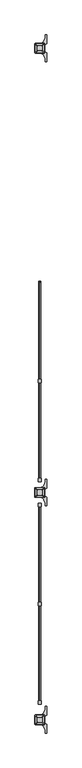
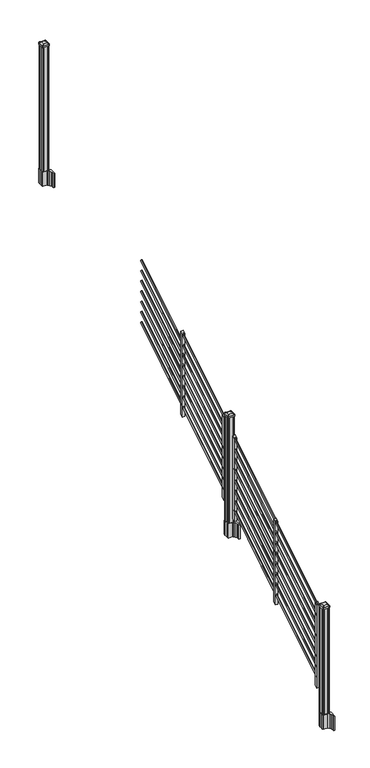
"""IFC4 building model written with IfcOpenShell, lengths in millimetres: railing geometry."""

from ifc_helpers import new_model, si_unit, point, frame, frame_2d, origin, origin_2d, place, context, project, spatial, polyline, circle_curve, trimmed, segment, composite_curve, outline, extrude, source, transform, mapped, element, save
from ifc_brep_helpers import plane_surface, extruded_surface, advanced_brep


def railing_97088774(model_context):
    return source(origin(), model_context, "Body", "SolidModel", [
        extrude(outline(composite_curve([segment(trimmed(circle_curve(origin_2d(), 8.001), [point((0.0, -8.001))], [point((0.0, 8.001))], False, "CARTESIAN"), True, "CONTINUOUS"), segment(trimmed(circle_curve(origin_2d(), 8.001), [point((0.0, 8.001))], [point((0.0, -8.001))], False, "CARTESIAN"), True, "CONTINUOUS")], self_intersect=False)), frame((8683.9759347, -140274.2068453, 1983.9796159), z_axis=(0.0, 0.8479983040051254, 0.5299989400031201), x_axis=(-1.0, 0.0, 0.0)), (0.0, 0.0, 1.0), 868.6338127),
        extrude(outline(composite_curve([segment(trimmed(circle_curve(origin_2d(), 8.001), [point((0.0, -8.001))], [point((0.0, 8.001))], False, "CARTESIAN"), True, "CONTINUOUS"), segment(trimmed(circle_curve(origin_2d(), 8.001), [point((0.0, 8.001))], [point((0.0, -8.001))], False, "CARTESIAN"), True, "CONTINUOUS")], self_intersect=False)), frame((8683.9759347, -140274.2068453, 2095.1695274), z_axis=(0.0, 0.8479983040051253, 0.5299989400031203), x_axis=(-1.0, 0.0, 0.0)), (0.0, 0.0, 1.0), 868.6338127),
        extrude(outline(composite_curve([segment(trimmed(circle_curve(origin_2d(), 8.001), [point((0.0, -8.001))], [point((0.0, 8.001))], False, "CARTESIAN"), True, "CONTINUOUS"), segment(trimmed(circle_curve(origin_2d(), 8.001), [point((0.0, 8.001))], [point((0.0, -8.001))], False, "CARTESIAN"), True, "CONTINUOUS")], self_intersect=False)), frame((8683.9759347, -140274.2068453, 2206.359439), z_axis=(0.0, 0.8479983040051253, 0.5299989400031203), x_axis=(-1.0, 0.0, 0.0)), (0.0, 0.0, 1.0), 868.6338127),
        extrude(outline(composite_curve([segment(trimmed(circle_curve(origin_2d(), 8.001), [point((0.0, -8.001))], [point((0.0, 8.001))], False, "CARTESIAN"), True, "CONTINUOUS"), segment(trimmed(circle_curve(origin_2d(), 8.001), [point((0.0, 8.001))], [point((0.0, -8.001))], False, "CARTESIAN"), True, "CONTINUOUS")], self_intersect=False)), frame((8683.9759347, -140274.2068453, 2317.5493506), z_axis=(0.0, 0.8479983040051253, 0.5299989400031203), x_axis=(-1.0, 0.0, 0.0)), (0.0, 0.0, 1.0), 868.6338127),
        extrude(outline(composite_curve([segment(trimmed(circle_curve(origin_2d(), 8.001), [point((0.0, -8.001))], [point((0.0, 8.001))], False, "CARTESIAN"), True, "CONTINUOUS"), segment(trimmed(circle_curve(origin_2d(), 8.001), [point((0.0, 8.001))], [point((0.0, -8.001))], False, "CARTESIAN"), True, "CONTINUOUS")], self_intersect=False)), frame((8683.9759347, -140274.2068453, 2428.7392622), z_axis=(0.0, 0.8479983040051254, 0.5299989400031202), x_axis=(-1.0, 0.0, 0.0)), (0.0, 0.0, 1.0), 868.6338127),
        extrude(outline(composite_curve([segment(trimmed(circle_curve(origin_2d(), 8.001), [point((0.0, -8.001))], [point((0.0, 8.001))], False, "CARTESIAN"), True, "CONTINUOUS"), segment(trimmed(circle_curve(origin_2d(), 8.001), [point((0.0, 8.001))], [point((0.0, -8.001))], False, "CARTESIAN"), True, "CONTINUOUS")], self_intersect=False)), frame((8683.9759347, -140274.2068453, 2539.9291737), z_axis=(0.0, 0.8479983040051253, 0.5299989400031202), x_axis=(-1.0, 0.0, 0.0)), (0.0, 0.0, 1.0), 868.6338127),
        extrude(outline(composite_curve([segment(trimmed(circle_curve(origin_2d(), 8.001), [point((0.0, -8.001))], [point((0.0, 8.001))], False, "CARTESIAN"), True, "CONTINUOUS"), segment(trimmed(circle_curve(origin_2d(), 8.001), [point((0.0, 8.001))], [point((0.0, -8.001))], False, "CARTESIAN"), True, "CONTINUOUS")], self_intersect=False)), frame((8683.9759347, -140274.2068453, 2651.1190853), z_axis=(0.0, 0.8479983040051253, 0.5299989400031203), x_axis=(-1.0, 0.0, 0.0)), (0.0, 0.0, 1.0), 868.6338127),
        extrude(outline(polyline([(-140256.4268453, 1894.0103781), (-140281.8268453, 1878.1353781), (-140281.8268453, 2771.4575), (-140256.4268453, 2787.3325), (-140256.4268453, 1894.0103781)])), frame((8670.9657728, 0.0, 0.0), z_axis=(1.0, 0.0, 0.0), x_axis=(0.0, 1.0, 0.0)), (0.0, 0.0, 1.0), 25.4),
        extrude(outline(composite_curve([segment(trimmed(circle_curve(origin_2d(), 8.001), [point((0.0, -8.001))], [point((0.0, 8.001))], False, "CARTESIAN"), True, "CONTINUOUS"), segment(trimmed(circle_curve(origin_2d(), 8.001), [point((0.0, 8.001))], [point((0.0, -8.001))], False, "CARTESIAN"), True, "CONTINUOUS")], self_intersect=False)), frame((8683.9759347, -141000.6468453, 2308.2839969), z_axis=(0.0, 0.8479983040051253, 0.5299989400031202), x_axis=(-1.0, 0.0, 0.0)), (0.0, 0.0, 1.0), 868.6338127),
        extrude(outline(composite_curve([segment(trimmed(circle_curve(origin_2d(), 8.001), [point((0.0, -8.001))], [point((0.0, 8.001))], False, "CARTESIAN"), True, "CONTINUOUS"), segment(trimmed(circle_curve(origin_2d(), 8.001), [point((0.0, 8.001))], [point((0.0, -8.001))], False, "CARTESIAN"), True, "CONTINUOUS")], self_intersect=False)), frame((8683.9759347, -141000.6468453, 1529.9546159), z_axis=(0.0, 0.8479983040051254, 0.5299989400031201), x_axis=(-1.0, 0.0, 0.0)), (0.0, 0.0, 1.0), 868.6338127),
        extrude(outline(composite_curve([segment(trimmed(circle_curve(origin_2d(), 8.001), [point((0.0, -8.001))], [point((0.0, 8.001))], False, "CARTESIAN"), True, "CONTINUOUS"), segment(trimmed(circle_curve(origin_2d(), 8.001), [point((0.0, 8.001))], [point((0.0, -8.001))], False, "CARTESIAN"), True, "CONTINUOUS")], self_intersect=False)), frame((8683.9759347, -141000.6468453, 1641.1445274), z_axis=(0.0, 0.8479983040051253, 0.5299989400031203), x_axis=(-1.0, 0.0, 0.0)), (0.0, 0.0, 1.0), 868.6338127),
        extrude(outline(composite_curve([segment(trimmed(circle_curve(origin_2d(), 8.001), [point((0.0, -8.001))], [point((0.0, 8.001))], False, "CARTESIAN"), True, "CONTINUOUS"), segment(trimmed(circle_curve(origin_2d(), 8.001), [point((0.0, 8.001))], [point((0.0, -8.001))], False, "CARTESIAN"), True, "CONTINUOUS")], self_intersect=False)), frame((8683.9759347, -141000.6468453, 1752.334439), z_axis=(0.0, 0.8479983040051253, 0.5299989400031203), x_axis=(-1.0, 0.0, 0.0)), (0.0, 0.0, 1.0), 868.6338127),
        extrude(outline(composite_curve([segment(trimmed(circle_curve(origin_2d(), 8.001), [point((0.0, -8.001))], [point((0.0, 8.001))], False, "CARTESIAN"), True, "CONTINUOUS"), segment(trimmed(circle_curve(origin_2d(), 8.001), [point((0.0, 8.001))], [point((0.0, -8.001))], False, "CARTESIAN"), True, "CONTINUOUS")], self_intersect=False)), frame((8683.9759347, -141000.6468453, 1863.5243506), z_axis=(0.0, 0.8479983040051253, 0.5299989400031203), x_axis=(-1.0, 0.0, 0.0)), (0.0, 0.0, 1.0), 868.6338127),
        extrude(outline(composite_curve([segment(trimmed(circle_curve(origin_2d(), 8.001), [point((0.0, -8.001))], [point((0.0, 8.001))], False, "CARTESIAN"), True, "CONTINUOUS"), segment(trimmed(circle_curve(origin_2d(), 8.001), [point((0.0, 8.001))], [point((0.0, -8.001))], False, "CARTESIAN"), True, "CONTINUOUS")], self_intersect=False)), frame((8683.9759347, -141000.6468453, 1974.7142622), z_axis=(0.0, 0.8479983040051254, 0.5299989400031202), x_axis=(-1.0, 0.0, 0.0)), (0.0, 0.0, 1.0), 868.6338127),
        extrude(outline(composite_curve([segment(trimmed(circle_curve(origin_2d(), 8.001), [point((0.0, -8.001))], [point((0.0, 8.001))], False, "CARTESIAN"), True, "CONTINUOUS"), segment(trimmed(circle_curve(origin_2d(), 8.001), [point((0.0, 8.001))], [point((0.0, -8.001))], False, "CARTESIAN"), True, "CONTINUOUS")], self_intersect=False)), frame((8683.9759347, -141000.6468453, 2085.9041737), z_axis=(0.0, 0.8479983040051253, 0.5299989400031202), x_axis=(-1.0, 0.0, 0.0)), (0.0, 0.0, 1.0), 868.6338127),
        extrude(outline(composite_curve([segment(trimmed(circle_curve(origin_2d(), 8.001), [point((0.0, -8.001))], [point((0.0, 8.001))], False, "CARTESIAN"), True, "CONTINUOUS"), segment(trimmed(circle_curve(origin_2d(), 8.001), [point((0.0, 8.001))], [point((0.0, -8.001))], False, "CARTESIAN"), True, "CONTINUOUS")], self_intersect=False)), frame((8683.9759347, -141000.6468453, 2197.0940853), z_axis=(0.0, 0.8479983040051253, 0.5299989400031203), x_axis=(-1.0, 0.0, 0.0)), (0.0, 0.0, 1.0), 868.6338127),
        extrude(outline(polyline([(-140982.8668453, 1439.9853781), (-141008.2668453, 1424.1103781), (-141008.2668453, 2317.4325), (-140982.8668453, 2333.3075), (-140982.8668453, 1439.9853781)])), frame((8670.9657728, 0.0, 0.0), z_axis=(1.0, 0.0, 0.0), x_axis=(0.0, 1.0, 0.0)), (0.0, 0.0, 1.0), 25.4),
        extrude(outline(composite_curve([segment(polyline([(8650.6140228, -141106.1709401), (8650.6140228, -141071.9067504), (8649.0265228, -141071.1447504), (8649.0265228, -141057.6138224), (8652.2407498, -141054.3995953), (8703.9214206, -141054.3995953), (8703.9214206, -141053.4788453), (8699.5710895, -141053.4788453), (8699.5710895, -141052.0245906), (8695.1976348, -141052.0245906), (8695.1976348, -141050.7405668), (8696.864907, -141050.7405668)]), True, "CONTINUOUS"), segment(trimmed(circle_curve(frame_2d((8696.864907, -141033.9973569)), 16.7432099), [point((8696.864907, -141050.7405668))], [point((8713.4870293, -141036.0073636))], True, "CARTESIAN"), True, "CONTINUOUS"), segment(polyline([(8713.4870293, -141036.0073636), (8721.2024736, -141018.9720251)]), True, "CONTINUOUS"), segment(trimmed(circle_curve(frame_2d((8676.1017103, -141002.6999755)), 47.9464123), [point((8721.2024736, -141018.9720251))], [point((8724.0481226, -141002.6999755))], True, "CARTESIAN"), True, "CONTINUOUS"), segment(polyline([(8724.0481226, -141002.6999755), (8724.0481226, -140990.6912359), (8736.2517103, -140990.6912359), (8736.2517103, -141055.9870953), (8718.3050228, -141067.5635116), (8718.3050228, -141071.1447504), (8716.7175228, -141071.9067504), (8716.7175228, -141106.1709401), (8718.3050228, -141106.9329401), (8718.3050228, -141110.514179), (8736.2517103, -141122.0905953), (8736.2517103, -141187.3864547), (8724.0481226, -141187.3864547), (8724.0481226, -141175.3777151)]), True, "CONTINUOUS"), segment(trimmed(circle_curve(frame_2d((8676.1017103, -141175.3777151)), 47.9464123), [point((8724.0481226, -141175.3777151))], [point((8721.2024736, -141159.1056654))], True, "CARTESIAN"), True, "CONTINUOUS"), segment(polyline([(8721.2024736, -141159.1056654), (8713.4870293, -141142.070327)]), True, "CONTINUOUS"), segment(trimmed(circle_curve(frame_2d((8696.864907, -141144.0803337)), 16.7432099), [point((8713.4870293, -141142.070327))], [point((8696.864907, -141127.3371238))], True, "CARTESIAN"), True, "CONTINUOUS"), segment(polyline([(8696.864907, -141127.3371238), (8704.6556192, -141127.3371238), (8704.6556192, -141126.0531), (8699.5710895, -141126.0531), (8699.5710895, -141124.5988453), (8703.9214206, -141124.5988453), (8703.9214206, -141123.6780953), (8652.2407498, -141123.6780953), (8649.0265228, -141120.4638682), (8649.0265228, -141106.9329401), (8650.6140228, -141106.1709401)]), True, "CONTINUOUS")], self_intersect=False), holes=[polyline([(8715.4157728, -141058.8763453), (8713.8282728, -141057.2888453), (8686.4289902, -141057.2888453), (8653.5032728, -141057.2888453), (8651.9157728, -141058.8763453), (8651.9157728, -141119.2013453), (8653.5032728, -141120.7888453), (8686.4289902, -141120.7888453), (8713.8282728, -141120.7888453), (8715.4157728, -141119.2013453), (8715.4157728, -141058.8763453)])]), frame((0.0, 0.0, 1094.74), z_axis=(0.0, 0.0, 1.0), x_axis=(1.0, 0.0, 0.0)), (0.0, 0.0, 1.0), 152.4),
        advanced_brep(
        [(8699.5407728, -141108.0888453, 2412.489263), (8702.7157728, -141104.9138453, 2412.489263), (8702.7157728, -141073.1638453, 2412.489263), (8699.5407728, -141069.9888453, 2412.489263), (8667.7907728, -141069.9888453, 2412.489263), (8664.6157728, -141073.1638453, 2412.489263), (8664.6157728, -141104.9138453, 2412.489263), (8667.7907728, -141108.0888453, 2412.489263), (8716.0507728, -141124.5988453, 2401.186263), (8651.2807728, -141124.5988453, 2401.186263), (8648.1057728, -141121.4238453, 2401.186263), (8648.1057728, -141056.6538453, 2401.186263), (8651.2807728, -141053.4788453, 2401.186263), (8716.0507728, -141053.4788453, 2401.186263), (8719.2257728, -141056.6538453, 2401.186263), (8719.2257728, -141121.4238453, 2401.186263)],
        [
            (0, 1, circle_curve(frame((8699.5407728, -141104.9138453, 2412.489263), z_axis=(0.0, 0.0, 1.0), x_axis=(0.0, 1.0, 0.0)), 3.175)),
            (1, 2),
            (2, 3, circle_curve(frame((8699.5407728, -141073.1638453, 2412.489263), z_axis=(0.0, 0.0, 1.0), x_axis=(0.0, 1.0, 0.0)), 3.175)),
            (3, 4),
            (4, 5, circle_curve(frame((8667.7907728, -141073.1638453, 2412.489263), z_axis=(0.0, 0.0, 1.0), x_axis=(0.0, 1.0, 0.0)), 3.175)),
            (5, 6),
            (6, 7, circle_curve(frame((8667.7907728, -141104.9138453, 2412.489263), z_axis=(0.0, 0.0, 1.0), x_axis=(0.0, 1.0, 0.0)), 3.175)),
            (7, 0),
            (8, 9),
            (9, 10, circle_curve(frame((8651.2807728, -141121.4238453, 2401.186263), z_axis=(0.0, 0.0, -1.0), x_axis=(0.0, 1.0, 0.0)), 3.175)),
            (10, 11),
            (11, 12, circle_curve(frame((8651.2807728, -141056.6538453, 2401.186263), z_axis=(0.0, 0.0, -1.0), x_axis=(0.0, 1.0, 0.0)), 3.175)),
            (12, 13),
            (13, 14, circle_curve(frame((8716.0507728, -141056.6538453, 2401.186263), z_axis=(0.0, 0.0, -1.0), x_axis=(0.0, 1.0, 0.0)), 3.175)),
            (14, 15),
            (15, 8, circle_curve(frame((8716.0507728, -141121.4238453, 2401.186263), z_axis=(0.0, 0.0, -1.0), x_axis=(0.0, 1.0, 0.0)), 3.175)),
            (15, 1),
            (0, 8),
            (14, 2),
            (13, 3),
            (12, 4),
            (11, 5),
            (10, 6),
            (9, 7),
        ],
        [
            plane_surface(frame((8683.6657728, -141089.0388453, 2412.489263), z_axis=(0.0, 0.0, 1.0), x_axis=(1.0, 0.0, 0.0))),
            plane_surface(frame((8683.6657728, -141089.0388453, 2401.186263), z_axis=(0.0, 0.0, -1.0), x_axis=(1.0, 0.0, 0.0))),
            extruded_surface(trimmed(circle_curve(frame((8716.0507728, -141121.4238453, 2401.186263), z_axis=(0.0, 0.0, 1.0), x_axis=(0.0, 1.0, 0.0)), 3.175), [point((8716.0507728, -141124.5988453, 2401.186263))], [point((8719.2257728, -141121.4238453, 2401.186263))], True, "CARTESIAN"), (-16.51000000000022, 16.510000000009313, 11.302999999999884), 25.940663233624388),
            plane_surface(frame((8719.2257728, -141089.0388453, 2401.186263), z_axis=(0.5649114395471265, 0.0, 0.8251515409116033), x_axis=(0.0, 1.0, 0.0))),
            extruded_surface(trimmed(circle_curve(frame((8716.0507728, -141056.6538453, 2401.186263), z_axis=(0.0, 0.0, 1.0), x_axis=(0.0, 1.0, 0.0)), 3.175), [point((8719.2257728, -141056.6538453, 2401.186263))], [point((8716.0507728, -141053.4788453, 2401.186263))], True, "CARTESIAN"), (-16.51000000000022, -16.510000000009313, 11.302999999999884), 25.940663233624388),
            plane_surface(frame((8683.6657728, -141053.4788453, 2401.186263), z_axis=(0.0, 0.564911439547091, 0.8251515409116277), x_axis=(-1.0, 0.0, 0.0))),
            extruded_surface(trimmed(circle_curve(frame((8651.2807728, -141056.6538453, 2401.186263), z_axis=(0.0, 0.0, 1.0), x_axis=(0.0, 1.0, 0.0)), 3.175), [point((8651.2807728, -141053.4788453, 2401.186263))], [point((8648.1057728, -141056.6538453, 2401.186263))], True, "CARTESIAN"), (16.5099999999984, -16.510000000009313, 11.302999999999884), 25.94066323362323),
            plane_surface(frame((8648.1057728, -141089.0388453, 2401.186263), z_axis=(-0.5649114395470568, 0.0, 0.825151540911651), x_axis=(0.0, -1.0, 0.0))),
            extruded_surface(trimmed(circle_curve(frame((8651.2807728, -141121.4238453, 2401.186263), z_axis=(0.0, 0.0, 1.0), x_axis=(0.0, 1.0, 0.0)), 3.175), [point((8648.1057728, -141121.4238453, 2401.186263))], [point((8651.2807728, -141124.5988453, 2401.186263))], True, "CARTESIAN"), (16.5099999999984, 16.510000000009313, 11.302999999999884), 25.94066323362323),
            plane_surface(frame((8683.6657728, -141124.5988453, 2401.186263), z_axis=(0.0, -0.5649114395471048, 0.8251515409116182), x_axis=(1.0, 0.0, 0.0))),
        ],
        [
            (0, [[1, 2, 3, 4, 5, 6, 7, 8]]),
            (1, [[9, 10, 11, 12, 13, 14, 15, 16]]),
            (2, [[-16, 17, -1, 18]]),
            (3, [[-15, 19, -2, -17]]),
            (4, [[-14, 20, -3, -19]]),
            (5, [[-13, 21, -4, -20]]),
            (6, [[-12, 22, -5, -21]]),
            (7, [[-11, 23, -6, -22]]),
            (8, [[-10, 24, -7, -23]]),
            (9, [[-9, -18, -8, -24]]),
        ],
    ),
        extrude(outline(composite_curve([segment(polyline([(8716.0507728, -141124.5988453), (8651.2807728, -141124.5988453)]), True, "CONTINUOUS"), segment(trimmed(circle_curve(frame_2d((8651.2807728, -141121.4238453)), 3.175), [point((8651.2807728, -141124.5988453))], [point((8648.1057728, -141121.4238453))], False, "CARTESIAN"), True, "CONTINUOUS"), segment(polyline([(8648.1057728, -141121.4238453), (8648.1057728, -141056.6538453)]), True, "CONTINUOUS"), segment(trimmed(circle_curve(frame_2d((8651.2807728, -141056.6538453)), 3.175), [point((8648.1057728, -141056.6538453))], [point((8651.2807728, -141053.4788453))], False, "CARTESIAN"), True, "CONTINUOUS"), segment(polyline([(8651.2807728, -141053.4788453), (8716.0507728, -141053.4788453)]), True, "CONTINUOUS"), segment(trimmed(circle_curve(frame_2d((8716.0507728, -141056.6538453)), 3.175), [point((8716.0507728, -141053.4788453))], [point((8719.2257728, -141056.6538453))], False, "CARTESIAN"), True, "CONTINUOUS"), segment(polyline([(8719.2257728, -141056.6538453), (8719.2257728, -141121.4238453)]), True, "CONTINUOUS"), segment(trimmed(circle_curve(frame_2d((8716.0507728, -141121.4238453)), 3.175), [point((8719.2257728, -141121.4238453))], [point((8716.0507728, -141124.5988453))], False, "CARTESIAN"), True, "CONTINUOUS")], self_intersect=False)), frame((0.0, 0.0, 2383.914263), z_axis=(0.0, 0.0, 1.0), x_axis=(1.0, 0.0, 0.0)), (0.0, 0.0, 1.0), 17.272),
        extrude(outline(polyline([(8713.8282728, -141120.7888453), (8703.4777728, -141120.7888453), (8702.7157728, -141119.2013453), (8664.6157728, -141119.2013453), (8663.8537728, -141120.7888453), (8653.5032728, -141120.7888453), (8651.9157728, -141119.2013453), (8651.9157728, -141108.8508453), (8653.5032728, -141108.0888453), (8653.5032728, -141069.9888453), (8651.9157728, -141069.2268453), (8651.9157728, -141058.8763453), (8653.5032728, -141057.2888453), (8663.8537728, -141057.2888453), (8664.6157728, -141058.8763453), (8702.7157728, -141058.8763453), (8703.4777728, -141057.2888453), (8713.8282728, -141057.2888453), (8715.4157728, -141058.8763453), (8715.4157728, -141069.2268453), (8713.8282728, -141069.9888453), (8713.8282728, -141108.0888453), (8715.4157728, -141108.8508453), (8715.4157728, -141119.2013453), (8713.8282728, -141120.7888453)])), frame((0.0, 0.0, 1247.14), z_axis=(0.0, 0.0, 1.0), x_axis=(1.0, 0.0, 0.0)), (0.0, 0.0, 1.0), 1136.774263),
        extrude(outline(polyline([(-141169.8108453, 1323.1453781), (-141195.2108453, 1307.2703781), (-141195.2108453, 2200.5925), (-141169.8108453, 2216.4675), (-141169.8108453, 1323.1453781)])), frame((8670.9657728, 0.0, 0.0), z_axis=(1.0, 0.0, 0.0), x_axis=(0.0, 1.0, 0.0)), (0.0, 0.0, 1.0), 25.4),
        extrude(outline(composite_curve([segment(trimmed(circle_curve(origin_2d(), 8.001), [point((0.0, -8.001))], [point((0.0, 8.001))], False, "CARTESIAN"), True, "CONTINUOUS"), segment(trimmed(circle_curve(origin_2d(), 8.001), [point((0.0, 8.001))], [point((0.0, -8.001))], False, "CARTESIAN"), True, "CONTINUOUS")], self_intersect=False)), frame((8683.9759347, -141914.0308453, 1737.4189969), z_axis=(0.0, 0.8479983040051253, 0.5299989400031202), x_axis=(-1.0, 0.0, 0.0)), (0.0, 0.0, 1.0), 868.6338127),
        extrude(outline(composite_curve([segment(trimmed(circle_curve(origin_2d(), 8.001), [point((0.0, -8.001))], [point((0.0, 8.001))], False, "CARTESIAN"), True, "CONTINUOUS"), segment(trimmed(circle_curve(origin_2d(), 8.001), [point((0.0, 8.001))], [point((0.0, -8.001))], False, "CARTESIAN"), True, "CONTINUOUS")], self_intersect=False)), frame((8683.9759347, -141914.0308453, 959.0896159), z_axis=(0.0, 0.8479983040051254, 0.5299989400031201), x_axis=(-1.0, 0.0, 0.0)), (0.0, 0.0, 1.0), 868.6338127),
        extrude(outline(composite_curve([segment(trimmed(circle_curve(origin_2d(), 8.001), [point((0.0, -8.001))], [point((0.0, 8.001))], False, "CARTESIAN"), True, "CONTINUOUS"), segment(trimmed(circle_curve(origin_2d(), 8.001), [point((0.0, 8.001))], [point((0.0, -8.001))], False, "CARTESIAN"), True, "CONTINUOUS")], self_intersect=False)), frame((8683.9759347, -141914.0308453, 1070.2795274), z_axis=(0.0, 0.8479983040051253, 0.5299989400031203), x_axis=(-1.0, 0.0, 0.0)), (0.0, 0.0, 1.0), 868.6338127),
        extrude(outline(composite_curve([segment(trimmed(circle_curve(origin_2d(), 8.001), [point((0.0, -8.001))], [point((0.0, 8.001))], False, "CARTESIAN"), True, "CONTINUOUS"), segment(trimmed(circle_curve(origin_2d(), 8.001), [point((0.0, 8.001))], [point((0.0, -8.001))], False, "CARTESIAN"), True, "CONTINUOUS")], self_intersect=False)), frame((8683.9759347, -141914.0308453, 1181.469439), z_axis=(0.0, 0.8479983040051253, 0.5299989400031203), x_axis=(-1.0, 0.0, 0.0)), (0.0, 0.0, 1.0), 868.6338127),
        extrude(outline(composite_curve([segment(trimmed(circle_curve(origin_2d(), 8.001), [point((0.0, -8.001))], [point((0.0, 8.001))], False, "CARTESIAN"), True, "CONTINUOUS"), segment(trimmed(circle_curve(origin_2d(), 8.001), [point((0.0, 8.001))], [point((0.0, -8.001))], False, "CARTESIAN"), True, "CONTINUOUS")], self_intersect=False)), frame((8683.9759347, -141914.0308453, 1292.6593506), z_axis=(0.0, 0.8479983040051253, 0.5299989400031203), x_axis=(-1.0, 0.0, 0.0)), (0.0, 0.0, 1.0), 868.6338127),
        extrude(outline(composite_curve([segment(trimmed(circle_curve(origin_2d(), 8.001), [point((0.0, -8.001))], [point((0.0, 8.001))], False, "CARTESIAN"), True, "CONTINUOUS"), segment(trimmed(circle_curve(origin_2d(), 8.001), [point((0.0, 8.001))], [point((0.0, -8.001))], False, "CARTESIAN"), True, "CONTINUOUS")], self_intersect=False)), frame((8683.9759347, -141914.0308453, 1403.8492622), z_axis=(0.0, 0.8479983040051254, 0.5299989400031202), x_axis=(-1.0, 0.0, 0.0)), (0.0, 0.0, 1.0), 868.6338127),
        extrude(outline(composite_curve([segment(trimmed(circle_curve(origin_2d(), 8.001), [point((0.0, -8.001))], [point((0.0, 8.001))], False, "CARTESIAN"), True, "CONTINUOUS"), segment(trimmed(circle_curve(origin_2d(), 8.001), [point((0.0, 8.001))], [point((0.0, -8.001))], False, "CARTESIAN"), True, "CONTINUOUS")], self_intersect=False)), frame((8683.9759347, -141914.0308453, 1515.0391737), z_axis=(0.0, 0.8479983040051253, 0.5299989400031202), x_axis=(-1.0, 0.0, 0.0)), (0.0, 0.0, 1.0), 868.6338127),
        extrude(outline(composite_curve([segment(trimmed(circle_curve(origin_2d(), 8.001), [point((0.0, -8.001))], [point((0.0, 8.001))], False, "CARTESIAN"), True, "CONTINUOUS"), segment(trimmed(circle_curve(origin_2d(), 8.001), [point((0.0, 8.001))], [point((0.0, -8.001))], False, "CARTESIAN"), True, "CONTINUOUS")], self_intersect=False)), frame((8683.9759347, -141914.0308453, 1626.2290853), z_axis=(0.0, 0.8479983040051253, 0.5299989400031203), x_axis=(-1.0, 0.0, 0.0)), (0.0, 0.0, 1.0), 868.6338127),
        extrude(outline(polyline([(-141896.2508453, 869.1203781), (-141921.6508453, 853.2453781), (-141921.6508453, 1746.5675), (-141896.2508453, 1762.4425), (-141896.2508453, 869.1203781)])), frame((8670.9657728, 0.0, 0.0), z_axis=(1.0, 0.0, 0.0), x_axis=(0.0, 1.0, 0.0)), (0.0, 0.0, 1.0), 25.4),
        extrude(outline(composite_curve([segment(trimmed(circle_curve(origin_2d(), 8.001), [point((0.0, -8.001))], [point((0.0, 8.001))], False, "CARTESIAN"), True, "CONTINUOUS"), segment(trimmed(circle_curve(origin_2d(), 8.001), [point((0.0, 8.001))], [point((0.0, -8.001))], False, "CARTESIAN"), True, "CONTINUOUS")], self_intersect=False)), frame((8683.9759347, -142640.4708453, 1283.3939969), z_axis=(0.0, 0.8479983040051253, 0.5299989400031202), x_axis=(-1.0, 0.0, 0.0)), (0.0, 0.0, 1.0), 868.6338127),
        extrude(outline(composite_curve([segment(trimmed(circle_curve(origin_2d(), 8.001), [point((0.0, -8.001))], [point((0.0, 8.001))], False, "CARTESIAN"), True, "CONTINUOUS"), segment(trimmed(circle_curve(origin_2d(), 8.001), [point((0.0, 8.001))], [point((0.0, -8.001))], False, "CARTESIAN"), True, "CONTINUOUS")], self_intersect=False)), frame((8683.9759347, -142640.4708453, 505.0646159), z_axis=(0.0, 0.8479983040051254, 0.5299989400031201), x_axis=(-1.0, 0.0, 0.0)), (0.0, 0.0, 1.0), 868.6338127),
        extrude(outline(composite_curve([segment(trimmed(circle_curve(origin_2d(), 8.001), [point((0.0, -8.001))], [point((0.0, 8.001))], False, "CARTESIAN"), True, "CONTINUOUS"), segment(trimmed(circle_curve(origin_2d(), 8.001), [point((0.0, 8.001))], [point((0.0, -8.001))], False, "CARTESIAN"), True, "CONTINUOUS")], self_intersect=False)), frame((8683.9759347, -142640.4708453, 616.2545274), z_axis=(0.0, 0.8479983040051253, 0.5299989400031203), x_axis=(-1.0, 0.0, 0.0)), (0.0, 0.0, 1.0), 868.6338127),
        extrude(outline(composite_curve([segment(trimmed(circle_curve(origin_2d(), 8.001), [point((0.0, -8.001))], [point((0.0, 8.001))], False, "CARTESIAN"), True, "CONTINUOUS"), segment(trimmed(circle_curve(origin_2d(), 8.001), [point((0.0, 8.001))], [point((0.0, -8.001))], False, "CARTESIAN"), True, "CONTINUOUS")], self_intersect=False)), frame((8683.9759347, -142640.4708453, 727.444439), z_axis=(0.0, 0.8479983040051253, 0.5299989400031203), x_axis=(-1.0, 0.0, 0.0)), (0.0, 0.0, 1.0), 868.6338127),
        extrude(outline(composite_curve([segment(trimmed(circle_curve(origin_2d(), 8.001), [point((0.0, -8.001))], [point((0.0, 8.001))], False, "CARTESIAN"), True, "CONTINUOUS"), segment(trimmed(circle_curve(origin_2d(), 8.001), [point((0.0, 8.001))], [point((0.0, -8.001))], False, "CARTESIAN"), True, "CONTINUOUS")], self_intersect=False)), frame((8683.9759347, -142640.4708453, 838.6343506), z_axis=(0.0, 0.8479983040051253, 0.5299989400031203), x_axis=(-1.0, 0.0, 0.0)), (0.0, 0.0, 1.0), 868.6338127),
        extrude(outline(composite_curve([segment(trimmed(circle_curve(origin_2d(), 8.001), [point((0.0, -8.001))], [point((0.0, 8.001))], False, "CARTESIAN"), True, "CONTINUOUS"), segment(trimmed(circle_curve(origin_2d(), 8.001), [point((0.0, 8.001))], [point((0.0, -8.001))], False, "CARTESIAN"), True, "CONTINUOUS")], self_intersect=False)), frame((8683.9759347, -142640.4708453, 949.8242622), z_axis=(0.0, 0.8479983040051254, 0.5299989400031202), x_axis=(-1.0, 0.0, 0.0)), (0.0, 0.0, 1.0), 868.6338127),
        extrude(outline(composite_curve([segment(trimmed(circle_curve(origin_2d(), 8.001), [point((0.0, -8.001))], [point((0.0, 8.001))], False, "CARTESIAN"), True, "CONTINUOUS"), segment(trimmed(circle_curve(origin_2d(), 8.001), [point((0.0, 8.001))], [point((0.0, -8.001))], False, "CARTESIAN"), True, "CONTINUOUS")], self_intersect=False)), frame((8683.9759347, -142640.4708453, 1061.0141737), z_axis=(0.0, 0.8479983040051253, 0.5299989400031202), x_axis=(-1.0, 0.0, 0.0)), (0.0, 0.0, 1.0), 868.6338127),
        extrude(outline(composite_curve([segment(trimmed(circle_curve(origin_2d(), 8.001), [point((0.0, -8.001))], [point((0.0, 8.001))], False, "CARTESIAN"), True, "CONTINUOUS"), segment(trimmed(circle_curve(origin_2d(), 8.001), [point((0.0, 8.001))], [point((0.0, -8.001))], False, "CARTESIAN"), True, "CONTINUOUS")], self_intersect=False)), frame((8683.9759347, -142640.4708453, 1172.2040853), z_axis=(0.0, 0.8479983040051253, 0.5299989400031203), x_axis=(-1.0, 0.0, 0.0)), (0.0, 0.0, 1.0), 868.6338127),
        extrude(outline(polyline([(-142622.6908453, 415.0953781), (-142648.0908453, 399.2203781), (-142648.0908453, 1292.5425), (-142622.6908453, 1308.4175), (-142622.6908453, 415.0953781)])), frame((8670.9657728, 0.0, 0.0), z_axis=(1.0, 0.0, 0.0), x_axis=(0.0, 1.0, 0.0)), (0.0, 0.0, 1.0), 25.4),
        extrude(outline(polyline([(8713.8282728, -137852.0628453), (8703.4777728, -137852.0628453), (8702.7157728, -137850.4753453), (8664.6157728, -137850.4753453), (8663.8537728, -137852.0628453), (8653.5032728, -137852.0628453), (8651.9157728, -137850.4753453), (8651.9157728, -137840.1248453), (8653.5032728, -137839.3628453), (8653.5032728, -137801.2628453), (8651.9157728, -137800.5008453), (8651.9157728, -137790.1503453), (8653.5032728, -137788.5628453), (8663.8537728, -137788.5628453), (8664.6157728, -137790.1503453), (8702.7157728, -137790.1503453), (8703.4777728, -137788.5628453), (8713.8282728, -137788.5628453), (8715.4157728, -137790.1503453), (8715.4157728, -137800.5008453), (8713.8282728, -137801.2628453), (8713.8282728, -137839.3628453), (8715.4157728, -137840.1248453), (8715.4157728, -137850.4753453), (8713.8282728, -137852.0628453)])), frame((0.0, 0.0, 3048.0), z_axis=(0.0, 0.0, 1.0), x_axis=(1.0, 0.0, 0.0)), (0.0, 0.0, 1.0), 1339.974263),
        extrude(outline(composite_curve([segment(polyline([(8650.6140228, -137837.4449401), (8650.6140228, -137803.1807504), (8649.0265228, -137802.4187504), (8649.0265228, -137788.8878224), (8652.2407498, -137785.6735953), (8703.9214206, -137785.6735953), (8703.9214206, -137784.7528453), (8699.5710895, -137784.7528453), (8699.5710895, -137783.2985906), (8695.1976348, -137783.2985906), (8695.1976348, -137782.0145668), (8696.864907, -137782.0145668)]), True, "CONTINUOUS"), segment(trimmed(circle_curve(frame_2d((8696.864907, -137765.2713569)), 16.7432099), [point((8696.864907, -137782.0145668))], [point((8713.4870293, -137767.2813636))], True, "CARTESIAN"), True, "CONTINUOUS"), segment(polyline([(8713.4870293, -137767.2813636), (8721.2024736, -137750.2460251)]), True, "CONTINUOUS"), segment(trimmed(circle_curve(frame_2d((8676.1017103, -137733.9739755)), 47.9464123), [point((8721.2024736, -137750.2460251))], [point((8724.0481226, -137733.9739755))], True, "CARTESIAN"), True, "CONTINUOUS"), segment(polyline([(8724.0481226, -137733.9739755), (8724.0481226, -137721.9652359), (8736.2517103, -137721.9652359), (8736.2517103, -137787.2610953), (8718.3050228, -137798.8375116), (8718.3050228, -137802.4187504), (8716.7175228, -137803.1807504), (8716.7175228, -137837.4449401), (8718.3050228, -137838.2069401), (8718.3050228, -137841.788179), (8736.2517103, -137853.3645953), (8736.2517103, -137918.6604547), (8724.0481226, -137918.6604547), (8724.0481226, -137906.6517151)]), True, "CONTINUOUS"), segment(trimmed(circle_curve(frame_2d((8676.1017103, -137906.6517151)), 47.9464123), [point((8724.0481226, -137906.6517151))], [point((8721.2024736, -137890.3796654))], True, "CARTESIAN"), True, "CONTINUOUS"), segment(polyline([(8721.2024736, -137890.3796654), (8713.4870293, -137873.344327)]), True, "CONTINUOUS"), segment(trimmed(circle_curve(frame_2d((8696.864907, -137875.3543337)), 16.7432099), [point((8713.4870293, -137873.344327))], [point((8696.864907, -137858.6111238))], True, "CARTESIAN"), True, "CONTINUOUS"), segment(polyline([(8696.864907, -137858.6111238), (8704.6556192, -137858.6111238), (8704.6556192, -137857.3271), (8699.5710895, -137857.3271), (8699.5710895, -137855.8728453), (8703.9214206, -137855.8728453), (8703.9214206, -137854.9520953), (8652.2407498, -137854.9520953), (8649.0265228, -137851.7378682), (8649.0265228, -137838.2069401), (8650.6140228, -137837.4449401)]), True, "CONTINUOUS")], self_intersect=False), holes=[polyline([(8715.4157728, -137790.1503453), (8713.8282728, -137788.5628453), (8686.4289902, -137788.5628453), (8653.5032728, -137788.5628453), (8651.9157728, -137790.1503453), (8651.9157728, -137850.4753453), (8653.5032728, -137852.0628453), (8686.4289902, -137852.0628453), (8713.8282728, -137852.0628453), (8715.4157728, -137850.4753453), (8715.4157728, -137790.1503453)])]), frame((0.0, 0.0, 2895.6), z_axis=(0.0, 0.0, 1.0), x_axis=(1.0, 0.0, 0.0)), (0.0, 0.0, 1.0), 152.4),
        advanced_brep(
        [(8699.5407728, -137839.3628453, 4416.549263), (8702.7157728, -137836.1878453, 4416.549263), (8702.7157728, -137804.4378453, 4416.549263), (8699.5407728, -137801.2628453, 4416.549263), (8667.7907728, -137801.2628453, 4416.549263), (8664.6157728, -137804.4378453, 4416.549263), (8664.6157728, -137836.1878453, 4416.549263), (8667.7907728, -137839.3628453, 4416.549263), (8716.0507728, -137855.8728453, 4405.246263), (8651.2807728, -137855.8728453, 4405.246263), (8648.1057728, -137852.6978453, 4405.246263), (8648.1057728, -137787.9278453, 4405.246263), (8651.2807728, -137784.7528453, 4405.246263), (8716.0507728, -137784.7528453, 4405.246263), (8719.2257728, -137787.9278453, 4405.246263), (8719.2257728, -137852.6978453, 4405.246263)],
        [
            (0, 1, circle_curve(frame((8699.5407728, -137836.1878453, 4416.549263), z_axis=(0.0, 0.0, 1.0), x_axis=(0.0, 1.0, 0.0)), 3.175)),
            (1, 2),
            (2, 3, circle_curve(frame((8699.5407728, -137804.4378453, 4416.549263), z_axis=(0.0, 0.0, 1.0), x_axis=(0.0, 1.0, 0.0)), 3.175)),
            (3, 4),
            (4, 5, circle_curve(frame((8667.7907728, -137804.4378453, 4416.549263), z_axis=(0.0, 0.0, 1.0), x_axis=(0.0, 1.0, 0.0)), 3.175)),
            (5, 6),
            (6, 7, circle_curve(frame((8667.7907728, -137836.1878453, 4416.549263), z_axis=(0.0, 0.0, 1.0), x_axis=(0.0, 1.0, 0.0)), 3.175)),
            (7, 0),
            (8, 9),
            (9, 10, circle_curve(frame((8651.2807728, -137852.6978453, 4405.246263), z_axis=(0.0, 0.0, -1.0), x_axis=(0.0, 1.0, 0.0)), 3.175)),
            (10, 11),
            (11, 12, circle_curve(frame((8651.2807728, -137787.9278453, 4405.246263), z_axis=(0.0, 0.0, -1.0), x_axis=(0.0, 1.0, 0.0)), 3.175)),
            (12, 13),
            (13, 14, circle_curve(frame((8716.0507728, -137787.9278453, 4405.246263), z_axis=(0.0, 0.0, -1.0), x_axis=(0.0, 1.0, 0.0)), 3.175)),
            (14, 15),
            (15, 8, circle_curve(frame((8716.0507728, -137852.6978453, 4405.246263), z_axis=(0.0, 0.0, -1.0), x_axis=(0.0, 1.0, 0.0)), 3.175)),
            (15, 1),
            (0, 8),
            (14, 2),
            (13, 3),
            (12, 4),
            (11, 5),
            (10, 6),
            (9, 7),
        ],
        [
            plane_surface(frame((8683.6657728, -137820.3128453, 4416.549263), z_axis=(0.0, 0.0, 1.0), x_axis=(1.0, 0.0, 0.0))),
            plane_surface(frame((8683.6657728, -137820.3128453, 4405.246263), z_axis=(0.0, 0.0, -1.0), x_axis=(1.0, 0.0, 0.0))),
            extruded_surface(trimmed(circle_curve(frame((8716.0507728, -137852.6978453, 4405.246263), z_axis=(0.0, 0.0, 1.0), x_axis=(0.0, 1.0, 0.0)), 3.175), [point((8716.0507728, -137855.8728453, 4405.246263))], [point((8719.2257728, -137852.6978453, 4405.246263))], True, "CARTESIAN"), (-16.51000000000022, 16.50999999998021, 11.302999999999884), 25.940663233605864),
            plane_surface(frame((8719.2257728, -137820.3128453, 4405.246263), z_axis=(0.5649114395471312, 0.0, 0.8251515409116001), x_axis=(0.0, 1.0, 0.0))),
            extruded_surface(trimmed(circle_curve(frame((8716.0507728, -137787.9278453, 4405.246263), z_axis=(0.0, 0.0, 1.0), x_axis=(0.0, 1.0, 0.0)), 3.175), [point((8719.2257728, -137787.9278453, 4405.246263))], [point((8716.0507728, -137784.7528453, 4405.246263))], True, "CARTESIAN"), (-16.51000000000022, -16.510000000009313, 11.302999999999884), 25.940663233624388),
            plane_surface(frame((8683.6657728, -137784.7528453, 4405.246263), z_axis=(0.0, 0.564911439547091, 0.8251515409116277), x_axis=(-1.0, 0.0, 0.0))),
            extruded_surface(trimmed(circle_curve(frame((8651.2807728, -137787.9278453, 4405.246263), z_axis=(0.0, 0.0, 1.0), x_axis=(0.0, 1.0, 0.0)), 3.175), [point((8651.2807728, -137784.7528453, 4405.246263))], [point((8648.1057728, -137787.9278453, 4405.246263))], True, "CARTESIAN"), (16.5099999999984, -16.510000000009313, 11.302999999999884), 25.94066323362323),
            plane_surface(frame((8648.1057728, -137820.3128453, 4405.246263), z_axis=(-0.5649114395470521, 0.0, 0.8251515409116541), x_axis=(0.0, -1.0, 0.0))),
            extruded_surface(trimmed(circle_curve(frame((8651.2807728, -137852.6978453, 4405.246263), z_axis=(0.0, 0.0, 1.0), x_axis=(0.0, 1.0, 0.0)), 3.175), [point((8648.1057728, -137852.6978453, 4405.246263))], [point((8651.2807728, -137855.8728453, 4405.246263))], True, "CARTESIAN"), (16.5099999999984, 16.50999999998021, 11.302999999999884), 25.940663233604706),
            plane_surface(frame((8683.6657728, -137855.8728453, 4405.246263), z_axis=(0.0, -0.5649114395471048, 0.8251515409116182), x_axis=(1.0, 0.0, 0.0))),
        ],
        [
            (0, [[1, 2, 3, 4, 5, 6, 7, 8]]),
            (1, [[9, 10, 11, 12, 13, 14, 15, 16]]),
            (2, [[-16, 17, -1, 18]]),
            (3, [[-15, 19, -2, -17]]),
            (4, [[-14, 20, -3, -19]]),
            (5, [[-13, 21, -4, -20]]),
            (6, [[-12, 22, -5, -21]]),
            (7, [[-11, 23, -6, -22]]),
            (8, [[-10, 24, -7, -23]]),
            (9, [[-9, -18, -8, -24]]),
        ],
    ),
        extrude(outline(composite_curve([segment(polyline([(8716.0507728, -137855.8728453), (8651.2807728, -137855.8728453)]), True, "CONTINUOUS"), segment(trimmed(circle_curve(frame_2d((8651.2807728, -137852.6978453)), 3.175), [point((8651.2807728, -137855.8728453))], [point((8648.1057728, -137852.6978453))], False, "CARTESIAN"), True, "CONTINUOUS"), segment(polyline([(8648.1057728, -137852.6978453), (8648.1057728, -137787.9278453)]), True, "CONTINUOUS"), segment(trimmed(circle_curve(frame_2d((8651.2807728, -137787.9278453)), 3.175), [point((8648.1057728, -137787.9278453))], [point((8651.2807728, -137784.7528453))], False, "CARTESIAN"), True, "CONTINUOUS"), segment(polyline([(8651.2807728, -137784.7528453), (8716.0507728, -137784.7528453)]), True, "CONTINUOUS"), segment(trimmed(circle_curve(frame_2d((8716.0507728, -137787.9278453)), 3.175), [point((8716.0507728, -137784.7528453))], [point((8719.2257728, -137787.9278453))], False, "CARTESIAN"), True, "CONTINUOUS"), segment(polyline([(8719.2257728, -137787.9278453), (8719.2257728, -137852.6978453)]), True, "CONTINUOUS"), segment(trimmed(circle_curve(frame_2d((8716.0507728, -137852.6978453)), 3.175), [point((8719.2257728, -137852.6978453))], [point((8716.0507728, -137855.8728453))], False, "CARTESIAN"), True, "CONTINUOUS")], self_intersect=False)), frame((0.0, 0.0, 4387.974263), z_axis=(0.0, 0.0, 1.0), x_axis=(1.0, 0.0, 0.0)), (0.0, 0.0, 1.0), 17.272),
        extrude(outline(composite_curve([segment(polyline([(8650.6140228, -142777.7449401), (8650.6140228, -142743.4807504), (8649.0265228, -142742.7187504), (8649.0265228, -142729.1878224), (8652.2407498, -142725.9735953), (8703.9214206, -142725.9735953), (8703.9214206, -142725.0528453), (8699.5710895, -142725.0528453), (8699.5710895, -142723.5985906), (8695.1976348, -142723.5985906), (8695.1976348, -142722.3145668), (8696.864907, -142722.3145668)]), True, "CONTINUOUS"), segment(trimmed(circle_curve(frame_2d((8696.864907, -142705.5713569)), 16.7432099), [point((8696.864907, -142722.3145668))], [point((8713.4870293, -142707.5813636))], True, "CARTESIAN"), True, "CONTINUOUS"), segment(polyline([(8713.4870293, -142707.5813636), (8721.2024736, -142690.5460251)]), True, "CONTINUOUS"), segment(trimmed(circle_curve(frame_2d((8676.1017103, -142674.2739755)), 47.9464123), [point((8721.2024736, -142690.5460251))], [point((8724.0481226, -142674.2739755))], True, "CARTESIAN"), True, "CONTINUOUS"), segment(polyline([(8724.0481226, -142674.2739755), (8724.0481226, -142662.2652359), (8736.2517103, -142662.2652359), (8736.2517103, -142727.5610953), (8718.3050228, -142739.1375116), (8718.3050228, -142742.7187504), (8716.7175228, -142743.4807504), (8716.7175228, -142777.7449401), (8718.3050228, -142778.5069401), (8718.3050228, -142782.088179), (8736.2517103, -142793.6645953), (8736.2517103, -142858.9604547), (8724.0481226, -142858.9604547), (8724.0481226, -142846.9517151)]), True, "CONTINUOUS"), segment(trimmed(circle_curve(frame_2d((8676.1017103, -142846.9517151)), 47.9464123), [point((8724.0481226, -142846.9517151))], [point((8721.2024736, -142830.6796654))], True, "CARTESIAN"), True, "CONTINUOUS"), segment(polyline([(8721.2024736, -142830.6796654), (8713.4870293, -142813.644327)]), True, "CONTINUOUS"), segment(trimmed(circle_curve(frame_2d((8696.864907, -142815.6543337)), 16.7432099), [point((8713.4870293, -142813.644327))], [point((8696.864907, -142798.9111238))], True, "CARTESIAN"), True, "CONTINUOUS"), segment(polyline([(8696.864907, -142798.9111238), (8704.6556192, -142798.9111238), (8704.6556192, -142797.6271), (8699.5710895, -142797.6271), (8699.5710895, -142796.1728453), (8703.9214206, -142796.1728453), (8703.9214206, -142795.2520953), (8652.2407498, -142795.2520953), (8649.0265228, -142792.0378682), (8649.0265228, -142778.5069401), (8650.6140228, -142777.7449401)]), True, "CONTINUOUS")], self_intersect=False), holes=[polyline([(8715.4157728, -142730.4503453), (8713.8282728, -142728.8628453), (8686.4289902, -142728.8628453), (8653.5032728, -142728.8628453), (8651.9157728, -142730.4503453), (8651.9157728, -142790.7753453), (8653.5032728, -142792.3628453), (8686.4289902, -142792.3628453), (8713.8282728, -142792.3628453), (8715.4157728, -142790.7753453), (8715.4157728, -142730.4503453)])]), frame((0.0, 0.0, 50.00625), z_axis=(0.0, 0.0, 1.0), x_axis=(1.0, 0.0, 0.0)), (0.0, 0.0, 1.0), 152.4),
        advanced_brep(
        [(8699.5407728, -142779.6628453, 1367.755513), (8702.7157728, -142776.4878453, 1367.755513), (8702.7157728, -142744.7378453, 1367.755513), (8699.5407728, -142741.5628453, 1367.755513), (8667.7907728, -142741.5628453, 1367.755513), (8664.6157728, -142744.7378453, 1367.755513), (8664.6157728, -142776.4878453, 1367.755513), (8667.7907728, -142779.6628453, 1367.755513), (8716.0507728, -142796.1728453, 1356.452513), (8651.2807728, -142796.1728453, 1356.452513), (8648.1057728, -142792.9978453, 1356.452513), (8648.1057728, -142728.2278453, 1356.452513), (8651.2807728, -142725.0528453, 1356.452513), (8716.0507728, -142725.0528453, 1356.452513), (8719.2257728, -142728.2278453, 1356.452513), (8719.2257728, -142792.9978453, 1356.452513)],
        [
            (0, 1, circle_curve(frame((8699.5407728, -142776.4878453, 1367.755513), z_axis=(0.0, 0.0, 1.0), x_axis=(0.0, 1.0, 0.0)), 3.175)),
            (1, 2),
            (2, 3, circle_curve(frame((8699.5407728, -142744.7378453, 1367.755513), z_axis=(0.0, 0.0, 1.0), x_axis=(0.0, 1.0, 0.0)), 3.175)),
            (3, 4),
            (4, 5, circle_curve(frame((8667.7907728, -142744.7378453, 1367.755513), z_axis=(0.0, 0.0, 1.0), x_axis=(0.0, 1.0, 0.0)), 3.175)),
            (5, 6),
            (6, 7, circle_curve(frame((8667.7907728, -142776.4878453, 1367.755513), z_axis=(0.0, 0.0, 1.0), x_axis=(0.0, 1.0, 0.0)), 3.175)),
            (7, 0),
            (8, 9),
            (9, 10, circle_curve(frame((8651.2807728, -142792.9978453, 1356.452513), z_axis=(0.0, 0.0, -1.0), x_axis=(0.0, 1.0, 0.0)), 3.175)),
            (10, 11),
            (11, 12, circle_curve(frame((8651.2807728, -142728.2278453, 1356.452513), z_axis=(0.0, 0.0, -1.0), x_axis=(0.0, 1.0, 0.0)), 3.175)),
            (12, 13),
            (13, 14, circle_curve(frame((8716.0507728, -142728.2278453, 1356.452513), z_axis=(0.0, 0.0, -1.0), x_axis=(0.0, 1.0, 0.0)), 3.175)),
            (14, 15),
            (15, 8, circle_curve(frame((8716.0507728, -142792.9978453, 1356.452513), z_axis=(0.0, 0.0, -1.0), x_axis=(0.0, 1.0, 0.0)), 3.175)),
            (15, 1),
            (0, 8),
            (14, 2),
            (13, 3),
            (12, 4),
            (11, 5),
            (10, 6),
            (9, 7),
        ],
        [
            plane_surface(frame((8683.6657728, -142760.6128453, 1367.755513), z_axis=(0.0, 0.0, 1.0), x_axis=(1.0, 0.0, 0.0))),
            plane_surface(frame((8683.6657728, -142760.6128453, 1356.452513), z_axis=(0.0, 0.0, -1.0), x_axis=(1.0, 0.0, 0.0))),
            extruded_surface(trimmed(circle_curve(frame((8716.0507728, -142792.9978453, 1356.452513), z_axis=(0.0, 0.0, 1.0), x_axis=(0.0, 1.0, 0.0)), 3.175), [point((8716.0507728, -142796.1728453, 1356.452513))], [point((8719.2257728, -142792.9978453, 1356.452513))], True, "CARTESIAN"), (-16.51000000000022, 16.510000000009313, 11.303000000000111), 25.940663233624488),
            plane_surface(frame((8719.2257728, -142760.6128453, 1356.452513), z_axis=(0.5649114395471265, 0.0, 0.8251515409116033), x_axis=(0.0, 1.0, 0.0))),
            extruded_surface(trimmed(circle_curve(frame((8716.0507728, -142728.2278453, 1356.452513), z_axis=(0.0, 0.0, 1.0), x_axis=(0.0, 1.0, 0.0)), 3.175), [point((8719.2257728, -142728.2278453, 1356.452513))], [point((8716.0507728, -142725.0528453, 1356.452513))], True, "CARTESIAN"), (-16.51000000000022, -16.510000000009313, 11.303000000000111), 25.940663233624488),
            plane_surface(frame((8683.6657728, -142725.0528453, 1356.452513), z_axis=(0.0, 0.564911439547091, 0.8251515409116277), x_axis=(-1.0, 0.0, 0.0))),
            extruded_surface(trimmed(circle_curve(frame((8651.2807728, -142728.2278453, 1356.452513), z_axis=(0.0, 0.0, 1.0), x_axis=(0.0, 1.0, 0.0)), 3.175), [point((8651.2807728, -142725.0528453, 1356.452513))], [point((8648.1057728, -142728.2278453, 1356.452513))], True, "CARTESIAN"), (16.5099999999984, -16.510000000009313, 11.303000000000111), 25.94066323362333),
            plane_surface(frame((8648.1057728, -142760.6128453, 1356.452513), z_axis=(-0.5649114395470568, 0.0, 0.825151540911651), x_axis=(0.0, -1.0, 0.0))),
            extruded_surface(trimmed(circle_curve(frame((8651.2807728, -142792.9978453, 1356.452513), z_axis=(0.0, 0.0, 1.0), x_axis=(0.0, 1.0, 0.0)), 3.175), [point((8648.1057728, -142792.9978453, 1356.452513))], [point((8651.2807728, -142796.1728453, 1356.452513))], True, "CARTESIAN"), (16.5099999999984, 16.510000000009313, 11.303000000000111), 25.94066323362333),
            plane_surface(frame((8683.6657728, -142796.1728453, 1356.452513), z_axis=(0.0, -0.5649114395471048, 0.8251515409116182), x_axis=(1.0, 0.0, 0.0))),
        ],
        [
            (0, [[1, 2, 3, 4, 5, 6, 7, 8]]),
            (1, [[9, 10, 11, 12, 13, 14, 15, 16]]),
            (2, [[-16, 17, -1, 18]]),
            (3, [[-15, 19, -2, -17]]),
            (4, [[-14, 20, -3, -19]]),
            (5, [[-13, 21, -4, -20]]),
            (6, [[-12, 22, -5, -21]]),
            (7, [[-11, 23, -6, -22]]),
            (8, [[-10, 24, -7, -23]]),
            (9, [[-9, -18, -8, -24]]),
        ],
    ),
        extrude(outline(composite_curve([segment(polyline([(8716.0507728, -142796.1728453), (8651.2807728, -142796.1728453)]), True, "CONTINUOUS"), segment(trimmed(circle_curve(frame_2d((8651.2807728, -142792.9978453)), 3.175), [point((8651.2807728, -142796.1728453))], [point((8648.1057728, -142792.9978453))], False, "CARTESIAN"), True, "CONTINUOUS"), segment(polyline([(8648.1057728, -142792.9978453), (8648.1057728, -142728.2278453)]), True, "CONTINUOUS"), segment(trimmed(circle_curve(frame_2d((8651.2807728, -142728.2278453)), 3.175), [point((8648.1057728, -142728.2278453))], [point((8651.2807728, -142725.0528453))], False, "CARTESIAN"), True, "CONTINUOUS"), segment(polyline([(8651.2807728, -142725.0528453), (8716.0507728, -142725.0528453)]), True, "CONTINUOUS"), segment(trimmed(circle_curve(frame_2d((8716.0507728, -142728.2278453)), 3.175), [point((8716.0507728, -142725.0528453))], [point((8719.2257728, -142728.2278453))], False, "CARTESIAN"), True, "CONTINUOUS"), segment(polyline([(8719.2257728, -142728.2278453), (8719.2257728, -142792.9978453)]), True, "CONTINUOUS"), segment(trimmed(circle_curve(frame_2d((8716.0507728, -142792.9978453)), 3.175), [point((8719.2257728, -142792.9978453))], [point((8716.0507728, -142796.1728453))], False, "CARTESIAN"), True, "CONTINUOUS")], self_intersect=False)), frame((0.0, 0.0, 1339.180513), z_axis=(0.0, 0.0, 1.0), x_axis=(1.0, 0.0, 0.0)), (0.0, 0.0, 1.0), 17.272),
        extrude(outline(polyline([(8713.8282728, -142792.3628453), (8703.4777728, -142792.3628453), (8702.7157728, -142790.7753453), (8664.6157728, -142790.7753453), (8663.8537728, -142792.3628453), (8653.5032728, -142792.3628453), (8651.9157728, -142790.7753453), (8651.9157728, -142780.4248453), (8653.5032728, -142779.6628453), (8653.5032728, -142741.5628453), (8651.9157728, -142740.8008453), (8651.9157728, -142730.4503453), (8653.5032728, -142728.8628453), (8663.8537728, -142728.8628453), (8664.6157728, -142730.4503453), (8702.7157728, -142730.4503453), (8703.4777728, -142728.8628453), (8713.8282728, -142728.8628453), (8715.4157728, -142730.4503453), (8715.4157728, -142740.8008453), (8713.8282728, -142741.5628453), (8713.8282728, -142779.6628453), (8715.4157728, -142780.4248453), (8715.4157728, -142790.7753453), (8713.8282728, -142792.3628453)])), frame((0.0, 0.0, 202.40625), z_axis=(0.0, 0.0, 1.0), x_axis=(1.0, 0.0, 0.0)), (0.0, 0.0, 1.0), 1136.774263),
    ])


if __name__ == "__main__":
    model = new_model("IFC4")
    model_context = context("Model", 3, world=origin())
    ifc_project = project(units=[si_unit("LENGTHUNIT", "METRE", prefix="MILLI")], contexts=[model_context])
    site = spatial("IfcSite", under=ifc_project)
    building = spatial("IfcBuilding", under=site)
    placement = place(None, origin())
    railing_shape = railing_97088774(model_context)
    element("IfcRailing", 1, at=placement, inside=building, context=model_context, shape_type="MappedRepresentation", body=[
        mapped(railing_shape, transform((0.0, 0.0, 0.0), x_axis=(1.0, 0.0, 0.0), y_axis=(0.0, 1.0, 0.0), z_axis=(0.0, 0.0, 1.0))),
    ])
    save(model, "model.ifc")
